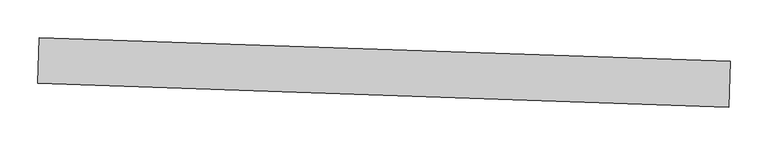
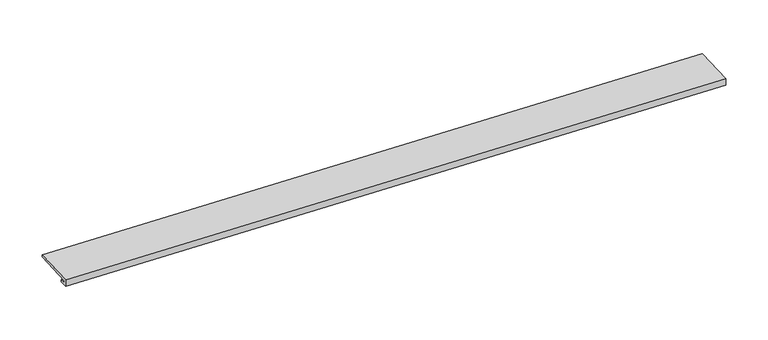
"""IFC4 building model written with IfcOpenShell, lengths in millimetres: proxy geometry."""

from ifc_helpers import new_model, si_unit, frame, origin, place, context, project, spatial, polyline, outline, extrude, source, transform, mapped, element, save


def generic_models_d256c6f9(model_context):
    return source(origin(), model_context, "Body", "SweptSolid", [
        extrude(outline(polyline([(-3.4473581, 0.0), (0.0, 0.0), (0.0, 57.15), (3.2244663, 57.15), (3.2244663, -3.3130867), (-6.3414504, -3.3130867), (-6.3414504, 7.7202248), (-3.4473581, 7.7202248), (-3.4473581, 0.0)])), frame((34356.8955189, -15411.99479, 2970.6422505), z_axis=(-0.999414947916628, 0.034201781836682536, 0.0), x_axis=(0.0, 0.0, 1.0)), (0.0, 0.0, 1.0), 914.4),
    ])


if __name__ == "__main__":
    model = new_model("IFC4")
    model_context = context("Model", 3, world=origin())
    ifc_project = project(units=[si_unit("LENGTHUNIT", "METRE", prefix="MILLI")], contexts=[model_context])
    site = spatial("IfcSite", under=ifc_project)
    building = spatial("IfcBuilding", under=site)
    placement = place(None, origin())
    generic_models_shape = generic_models_d256c6f9(model_context)
    element("IfcBuildingElementProxy", 1, Name="Generic Models", at=placement, inside=building, context=model_context, shape_type="MappedRepresentation", body=[
        mapped(generic_models_shape, transform((0.0, 0.0, 0.0), x_axis=(1.0, 0.0, 0.0), y_axis=(0.0, 1.0, 0.0), z_axis=(0.0, 0.0, 1.0))),
    ])
    save(model, "model.ifc")
